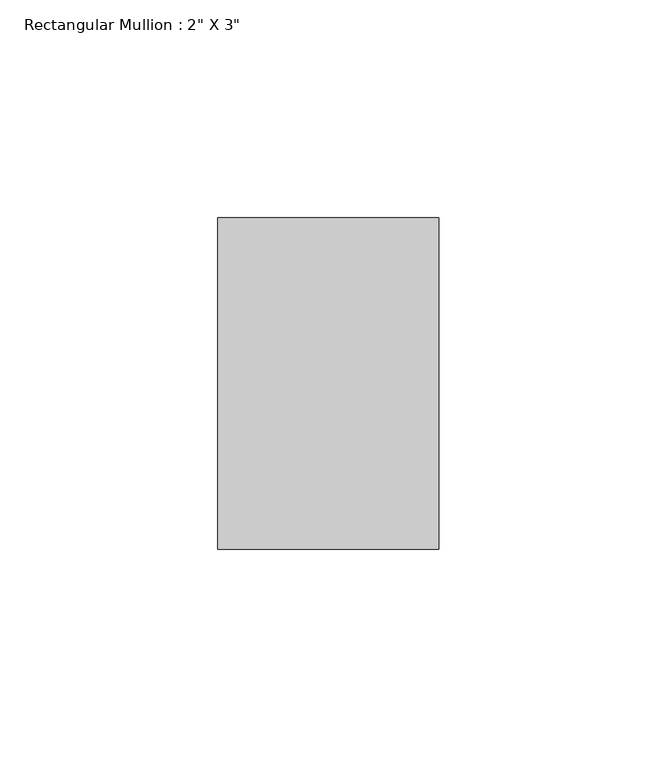
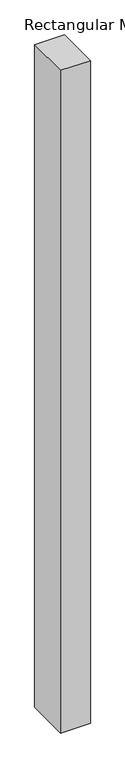
"""IFC4 building model written with IfcOpenShell, lengths in millimetres: member geometry."""

from ifc_helpers import new_model, si_unit, frame, origin, place, context, project, spatial, polyline, outline, extrude, source, transform, mapped, element, save


def member_1e933f2d(model_context):
    return source(origin(), model_context, "Body", "SweptSolid", [
        extrude(outline(polyline([(25.4, 63.5), (25.4, -12.7), (-25.4, -12.7), (-25.4, 63.5), (25.4, 63.5)])), frame((0.0, 0.0, -1193.8), z_axis=(0.0, 0.0, 1.0), x_axis=(1.0, 0.0, 0.0)), (0.0, 0.0, 1.0), 1193.8),
    ])


if __name__ == "__main__":
    model = new_model("IFC4")
    model_context = context("Model", 3, world=origin())
    ifc_project = project(units=[si_unit("LENGTHUNIT", "METRE", prefix="MILLI")], contexts=[model_context])
    site = spatial("IfcSite", under=ifc_project)
    building = spatial("IfcBuilding", under=site)
    placement = place(None, origin())
    member_shape = member_1e933f2d(model_context)
    element("IfcMember", 1, ObjectType="Rectangular Mullion : 2\" X 3\"", at=placement, inside=building, context=model_context, shape_type="MappedRepresentation", body=[
        mapped(member_shape, transform((0.0, 0.0, 0.0), x_axis=(1.0, 0.0, 0.0), y_axis=(0.0, 1.0, 0.0), z_axis=(0.0, 0.0, 1.0))),
    ])
    save(model, "model.ifc")
